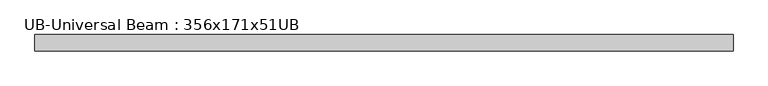
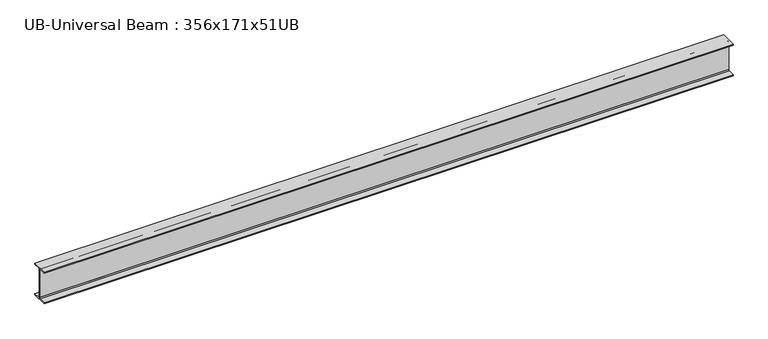
"""IFC4 building model written with IfcOpenShell, lengths in millimetres: beam geometry, UB-Universal Beam : 356x171x51UB."""

from ifc_helpers import new_model, si_unit, point, frame, frame_2d, origin, place, context, project, spatial, polyline, circle_curve, trimmed, segment, composite_curve, outline, extrude, source, transform, mapped, element, save


def ub_universal_beam_356x171x51ub_c7023e84(model_context):
    return source(origin(), model_context, "Body", "SweptSolid", [
        extrude(outline(composite_curve([segment(polyline([(85.75, -166.0), (85.75, -177.5), (-85.75, -177.5), (-85.75, -166.0), (-13.9, -166.0)]), True, "CONTINUOUS"), segment(trimmed(circle_curve(frame_2d((-13.9, -155.8)), 10.2), [point((-13.9, -166.0))], [point((-3.7, -155.8))], True, "CARTESIAN"), True, "CONTINUOUS"), segment(polyline([(-3.7, -155.8), (-3.7, 155.8)]), True, "CONTINUOUS"), segment(trimmed(circle_curve(frame_2d((-13.9, 155.8)), 10.2), [point((-3.7, 155.8))], [point((-13.9, 166.0))], True, "CARTESIAN"), True, "CONTINUOUS"), segment(polyline([(-13.9, 166.0), (-85.75, 166.0), (-85.75, 177.5), (85.75, 177.5), (85.75, 166.0), (13.9, 166.0)]), True, "CONTINUOUS"), segment(trimmed(circle_curve(frame_2d((13.9, 155.8)), 10.2), [point((13.9, 166.0))], [point((3.7, 155.8))], True, "CARTESIAN"), True, "CONTINUOUS"), segment(polyline([(3.7, 155.8), (3.7, -155.8)]), True, "CONTINUOUS"), segment(trimmed(circle_curve(frame_2d((13.9, -155.8)), 10.2), [point((3.7, -155.8))], [point((13.9, -166.0))], True, "CARTESIAN"), True, "CONTINUOUS"), segment(polyline([(13.9, -166.0), (85.75, -166.0)]), True, "CONTINUOUS")], self_intersect=False)), frame((-3642.3, 0.0, 0.0), z_axis=(1.0, 0.0, 0.0), x_axis=(0.0, 1.0, 0.0)), (0.0, 0.0, 1.0), 7343.85),
    ])


if __name__ == "__main__":
    model = new_model("IFC4")
    model_context = context("Model", 3, world=origin())
    ifc_project = project(units=[si_unit("LENGTHUNIT", "METRE", prefix="MILLI")], contexts=[model_context])
    site = spatial("IfcSite", under=ifc_project)
    building = spatial("IfcBuilding", under=site)
    placement = place(None, origin())
    ub_universal_beam_356x171x51ub_shape = ub_universal_beam_356x171x51ub_c7023e84(model_context)
    element("IfcBeam", 1, ObjectType="UB-Universal Beam : 356x171x51UB", at=placement, inside=building, context=model_context, shape_type="MappedRepresentation", body=[
        mapped(ub_universal_beam_356x171x51ub_shape, transform((0.0, 0.0, 0.0), x_axis=(1.0, 0.0, 0.0), y_axis=(0.0, 1.0, 0.0), z_axis=(0.0, 0.0, 1.0))),
    ])
    save(model, "model.ifc")
